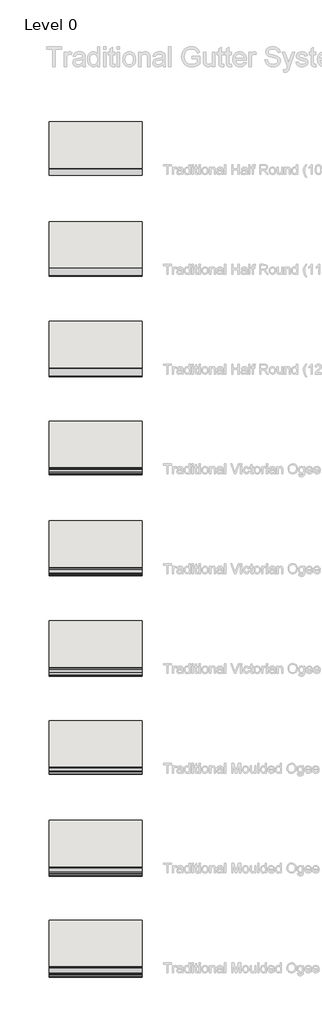
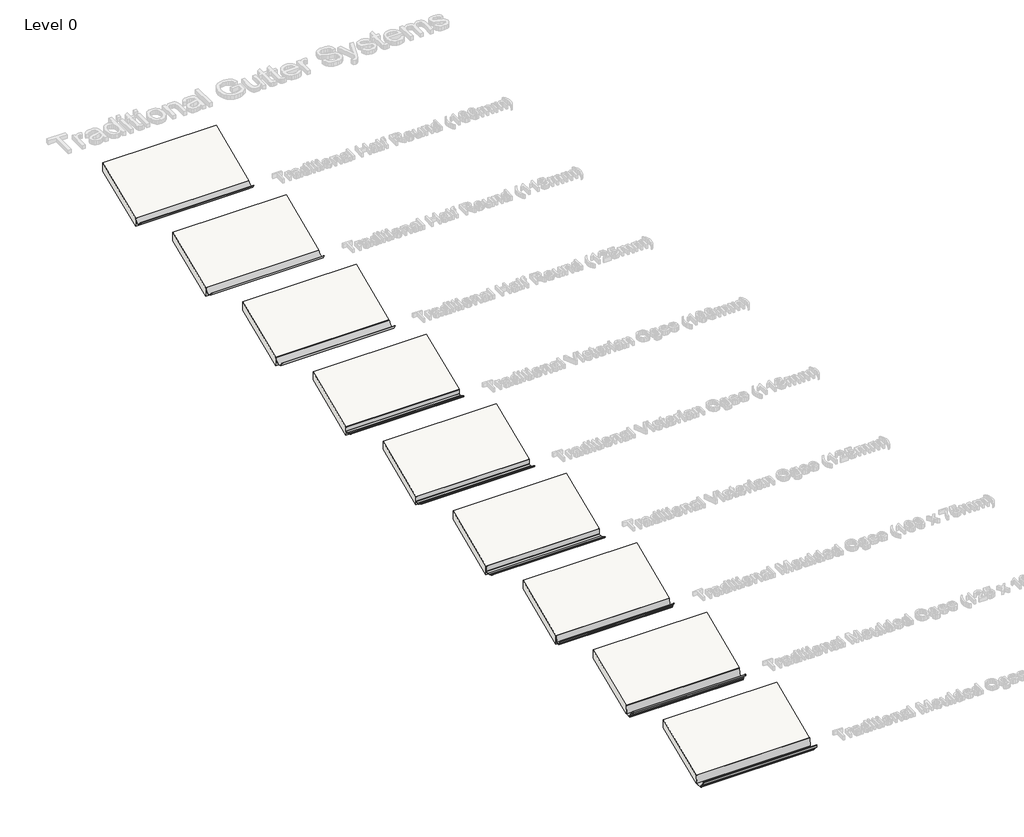
# One storey, part 1 of 10: 9 pipe segments, 9 roofs.
"""IFC4 building model written with IfcOpenShell, lengths in millimetres."""

from ifc_helpers import new_model, si_unit, point, frame, frame_2d, origin, place, context, project, spatial, polyline, circle_curve, trimmed, segment, composite_curve, outline, extrude, element, save

model = new_model("IFC4")

# Units and contexts
model_context = context("Model", 3, world=origin())
ifc_project = project(units=[si_unit("LENGTHUNIT", "METRE", prefix="MILLI")], contexts=[model_context])

# Site, building, storey
site = spatial("IfcSite", under=ifc_project)
building = spatial("IfcBuilding", under=site)
storey = spatial("IfcBuildingStorey", under=building, Name="Level 0", Elevation=0.0)

# Pipe segments
placement = place(None, origin())
element("IfcPipeSegment", 1, at=placement, inside=storey, context=model_context, shape_type="SweptSolid", body=[
    extrude(outline(composite_curve([segment(trimmed(circle_curve(frame_2d((7798.7541966, 115.7922465)), 53.0977513), [point((7851.2490497, 107.8134252))], [point((7746.2490497, 107.8814475))], False, "CARTESIAN"), True, "CONTINUOUS"), segment(polyline([(7746.2490497, 107.8814475), (7746.2490497, 108.7967587), (7749.1979093, 108.7967587)]), True, "CONTINUOUS"), segment(trimmed(circle_curve(frame_2d((7798.7541966, 115.7922465)), 50.047602), [point((7749.1979093, 108.7967587))], [point((7848.310484, 108.7967587))], True, "CARTESIAN"), True, "CONTINUOUS"), segment(polyline([(7848.310484, 108.7967587), (7851.2490497, 108.7967587), (7851.2490497, 107.8134252)]), True, "CONTINUOUS")], self_intersect=False)), frame((-3163.9352169, 0.0, 0.0), z_axis=(1.0, 0.0, 0.0), x_axis=(0.0, 1.0, 0.0)), (0.0, 0.0, 1.0), 1400.0),
])
element("IfcPipeSegment", 2, at=placement, inside=storey, context=model_context, shape_type="SweptSolid", body=[
    extrude(outline(composite_curve([segment(trimmed(circle_curve(frame_2d((6291.7541966, 116.8515545)), 60.1774487), [point((6351.2490497, 107.8134252))], [point((6232.2490497, 107.8814475))], False, "CARTESIAN"), True, "CONTINUOUS"), segment(polyline([(6232.2490497, 107.8814475), (6232.2490497, 108.7967587), (6235.1979093, 108.7967587)]), True, "CONTINUOUS"), segment(trimmed(circle_curve(frame_2d((6291.7541966, 116.8515545)), 57.1269934), [point((6235.1979093, 108.7967587))], [point((6348.310484, 108.7967587))], True, "CARTESIAN"), True, "CONTINUOUS"), segment(polyline([(6348.310484, 108.7967587), (6351.2490497, 108.7967587), (6351.2490497, 107.8134252)]), True, "CONTINUOUS")], self_intersect=False)), frame((-3163.9352169, 0.0, 0.0), z_axis=(1.0, 0.0, 0.0), x_axis=(0.0, 1.0, 0.0)), (0.0, 0.0, 1.0), 1400.0),
])
element("IfcPipeSegment", 3, at=placement, inside=storey, context=model_context, shape_type="SweptSolid", body=[
    extrude(outline(composite_curve([segment(trimmed(circle_curve(frame_2d((4786.2541966, 117.683868)), 65.7400682), [point((4851.2490497, 107.8134252))], [point((4721.2490497, 107.8814475))], False, "CARTESIAN"), True, "CONTINUOUS"), segment(polyline([(4721.2490497, 107.8814475), (4721.2490497, 108.7967587), (4724.1979093, 108.7967587)]), True, "CONTINUOUS"), segment(trimmed(circle_curve(frame_2d((4786.2541966, 117.683868)), 62.6894211), [point((4724.1979093, 108.7967587))], [point((4848.310484, 108.7967587))], True, "CARTESIAN"), True, "CONTINUOUS"), segment(polyline([(4848.310484, 108.7967587), (4851.2490497, 108.7967587), (4851.2490497, 107.8134252)]), True, "CONTINUOUS")], self_intersect=False)), frame((-3163.9352169, 0.0, 0.0), z_axis=(1.0, 0.0, 0.0), x_axis=(0.0, 1.0, 0.0)), (0.0, 0.0, 1.0), 1400.0),
])
element("IfcPipeSegment", 4, at=placement, inside=storey, context=model_context, shape_type="SweptSolid", body=[
    extrude(outline(composite_curve([segment(polyline([(3347.2490497, 58.6293872), (3347.2490497, 107.7967587)]), True, "CONTINUOUS"), segment(trimmed(circle_curve(frame_2d((3348.2490497, 107.7967587)), 1.0), [point((3347.2490497, 107.7967587))], [point((3348.2490497, 108.7967587))], False, "CARTESIAN"), True, "CONTINUOUS"), segment(polyline([(3348.2490497, 108.7967587), (3350.2490497, 108.7967587)]), True, "CONTINUOUS"), segment(trimmed(circle_curve(frame_2d((3350.2490497, 107.7967587)), 1.0), [point((3350.2490497, 108.7967587))], [point((3351.2490497, 107.7967587))], False, "CARTESIAN"), True, "CONTINUOUS"), segment(polyline([(3351.2490497, 107.7967587), (3351.2490497, 57.0098191)]), True, "CONTINUOUS"), segment(trimmed(circle_curve(frame_2d((3346.2490497, 57.0098191)), 5.0), [point((3351.2490497, 57.0098191))], [point((3347.2886082, 52.1190811))], False, "CARTESIAN"), True, "CONTINUOUS"), segment(polyline([(3347.2886082, 52.1190811), (3322.2490497, 46.7967587)]), True, "CONTINUOUS"), segment(trimmed(circle_curve(frame_2d((3322.2490497, 99.7967587)), 53.0), [point((3322.2490497, 46.7967587))], [point((3282.549212, 64.683757))], False, "CARTESIAN"), True, "CONTINUOUS"), segment(trimmed(circle_curve(frame_2d((3266.2490497, 46.7967587)), 24.2), [point((3282.549212, 64.683757))], [point((3261.7169544, 70.5685931))], True, "CARTESIAN"), True, "CONTINUOUS"), segment(trimmed(circle_curve(frame_2d((3260.2187411, 78.4270507)), 8.0), [point((3261.7169544, 70.5685931))], [point((3253.5864405, 73.9535075))], False, "CARTESIAN"), True, "CONTINUOUS"), segment(polyline([(3253.5864405, 73.9535075), (3245.3007386, 86.2375658)]), True, "CONTINUOUS"), segment(trimmed(circle_curve(frame_2d((3246.1297762, 86.7967587)), 1.0), [point((3245.3007386, 86.2375658))], [point((3246.1297762, 87.7967587))], False, "CARTESIAN"), True, "CONTINUOUS"), segment(polyline([(3246.1297762, 87.7967587), (3248.5422121, 87.7967587)]), True, "CONTINUOUS"), segment(trimmed(circle_curve(frame_2d((3248.5422121, 86.7967587)), 1.0), [point((3248.5422121, 87.7967587))], [point((3249.3712496, 87.3559516))], False, "CARTESIAN"), True, "CONTINUOUS"), segment(polyline([(3249.3712496, 87.3559516), (3256.5379314, 76.730909)]), True, "CONTINUOUS"), segment(trimmed(circle_curve(frame_2d((3260.6831192, 79.5268735)), 5.0), [point((3256.5379314, 76.730909))], [point((3261.5213618, 74.5976393))], True, "CARTESIAN"), True, "CONTINUOUS"), segment(trimmed(circle_curve(frame_2d((3266.2490497, 46.7967587)), 28.2), [point((3261.5213618, 74.5976393))], [point((3287.9610874, 64.7919642))], False, "CARTESIAN"), True, "CONTINUOUS"), segment(trimmed(circle_curve(frame_2d((3322.2490497, 99.7967587)), 49.0), [point((3287.9610874, 64.7919642))], [point((3321.8367919, 50.7984929))], True, "CARTESIAN"), True, "CONTINUOUS"), segment(polyline([(3321.8367919, 50.7984929), (3344.8727848, 55.6949444)]), True, "CONTINUOUS"), segment(trimmed(circle_curve(frame_2d((3344.2490497, 58.6293872)), 3.0), [point((3344.8727848, 55.6949444))], [point((3347.2490497, 58.6293872))], True, "CARTESIAN"), True, "CONTINUOUS")], self_intersect=False)), frame((-3163.9352169, 0.0, 0.0), z_axis=(1.0, 0.0, 0.0), x_axis=(0.0, 1.0, 0.0)), (0.0, 0.0, 1.0), 1400.0),
])
element("IfcPipeSegment", 5, at=placement, inside=storey, context=model_context, shape_type="SweptSolid", body=[
    extrude(outline(composite_curve([segment(trimmed(circle_curve(frame_2d((1816.995492, 100.7177181)), 56.1896966), [point((1776.4525261, 61.8133492))], [point((1816.995492, 44.5280215))], True, "CARTESIAN"), True, "CONTINUOUS"), segment(polyline([(1816.995492, 44.5280215), (1843.6671636, 47.5954474)]), True, "CONTINUOUS"), segment(trimmed(circle_curve(frame_2d((1843.2490497, 51.573535)), 4.0), [point((1843.6671636, 47.5954474))], [point((1847.2490497, 51.573535))], True, "CARTESIAN"), True, "CONTINUOUS"), segment(polyline([(1847.2490497, 51.573535), (1847.2490497, 107.7967587)]), True, "CONTINUOUS"), segment(trimmed(circle_curve(frame_2d((1848.2490497, 107.7967587)), 1.0), [point((1847.2490497, 107.7967587))], [point((1848.2490497, 108.7967587))], False, "CARTESIAN"), True, "CONTINUOUS"), segment(polyline([(1848.2490497, 108.7967587), (1850.2490497, 108.7967587)]), True, "CONTINUOUS"), segment(trimmed(circle_curve(frame_2d((1850.2490497, 107.7967587)), 1.0), [point((1850.2490497, 108.7967587))], [point((1851.2490497, 107.7967587))], False, "CARTESIAN"), True, "CONTINUOUS"), segment(polyline([(1851.2490497, 107.7967587), (1851.2490497, 51.573535)]), True, "CONTINUOUS"), segment(trimmed(circle_curve(frame_2d((1843.2490497, 51.573535)), 8.0), [point((1851.2490497, 51.573535))], [point((1844.0852774, 43.6173598))], False, "CARTESIAN"), True, "CONTINUOUS"), segment(polyline([(1844.0852774, 43.6173598), (1817.0775787, 40.4958619)]), True, "CONTINUOUS"), segment(trimmed(circle_curve(frame_2d((1817.0775787, 100.7099496)), 60.2140877), [point((1817.0775787, 40.4958619))], [point((1773.5997622, 59.0516271))], False, "CARTESIAN"), True, "CONTINUOUS"), segment(trimmed(circle_curve(frame_2d((1749.9337452, 40.6147175)), 30.0), [point((1773.5997622, 59.0516271))], [point((1749.9695931, 70.6146961))], True, "CARTESIAN"), True, "CONTINUOUS"), segment(trimmed(circle_curve(frame_2d((1749.9863222, 84.6146861)), 14.0), [point((1749.9695931, 70.6146961))], [point((1737.8619665, 77.6146861))], False, "CARTESIAN"), True, "CONTINUOUS"), segment(polyline([(1737.8619665, 77.6146861), (1731.3338251, 88.9217587)]), True, "CONTINUOUS"), segment(trimmed(circle_curve(frame_2d((1732.1998505, 89.4217587)), 1.0), [point((1731.3338251, 88.9217587))], [point((1732.1998505, 90.4217587))], False, "CARTESIAN"), True, "CONTINUOUS"), segment(polyline([(1732.1998505, 90.4217587), (1734.5092516, 90.4217587)]), True, "CONTINUOUS"), segment(trimmed(circle_curve(frame_2d((1734.5092516, 89.4217587)), 1.0), [point((1734.5092516, 90.4217587))], [point((1735.3759701, 89.9205562))], False, "CARTESIAN"), True, "CONTINUOUS"), segment(polyline([(1735.3759701, 89.9205562), (1741.3084425, 79.6121971)]), True, "CONTINUOUS"), segment(trimmed(circle_curve(frame_2d((1749.9814476, 84.6035215)), 10.0067146), [point((1741.3084425, 79.6121971))], [point((1749.9618107, 74.5968262))], True, "CARTESIAN"), True, "CONTINUOUS"), segment(trimmed(circle_curve(frame_2d((1749.8951334, 40.6190613)), 33.9778303), [point((1749.9618107, 74.5968262))], [point((1776.4525261, 61.8133492))], False, "CARTESIAN"), True, "CONTINUOUS")], self_intersect=False)), frame((-3163.9352169, 0.0, 0.0), z_axis=(1.0, 0.0, 0.0), x_axis=(0.0, 1.0, 0.0)), (0.0, 0.0, 1.0), 1400.0),
])
element("IfcPipeSegment", 6, at=placement, inside=storey, context=model_context, shape_type="SweptSolid", body=[
    extrude(outline(composite_curve([segment(polyline([(-1148.7509503, 108.7967587), (-1159.4320537, 32.7967587), (-1211.5916224, 32.7967587), (-1213.7266838, 47.9885102)]), True, "CONTINUOUS"), segment(trimmed(circle_curve(frame_2d((-1212.4487831, 61.4980601)), 13.5698551), [point((-1213.7266838, 47.9885102))], [point((-1225.7569848, 58.8461297))], False, "CARTESIAN"), True, "CONTINUOUS"), segment(polyline([(-1225.7569848, 58.8461297), (-1230.025021, 75.9642878)]), True, "CONTINUOUS"), segment(trimmed(circle_curve(frame_2d((-1249.8777363, 71.5019458)), 20.3480417), [point((-1230.025021, 75.9642878))], [point((-1249.9404814, 91.8498908))], True, "CARTESIAN"), True, "CONTINUOUS"), segment(polyline([(-1249.9404814, 91.8498908), (-1254.7999176, 108.7967587), (-1252.4060248, 108.7967587), (-1248.1883715, 94.0880537)]), True, "CONTINUOUS"), segment(trimmed(circle_curve(frame_2d((-1249.8777363, 71.5019458)), 22.6491991), [point((-1248.1883715, 94.0880537))], [point((-1227.7859196, 76.4957277))], False, "CARTESIAN"), True, "CONTINUOUS"), segment(polyline([(-1227.7859196, 76.4957277), (-1223.5102989, 59.3471494)]), True, "CONTINUOUS"), segment(trimmed(circle_curve(frame_2d((-1212.4487831, 61.4980601)), 11.2686977), [point((-1223.5102989, 59.3471494))], [point((-1211.7211479, 50.2528792))], True, "CARTESIAN"), True, "CONTINUOUS"), segment(polyline([(-1211.7211479, 50.2528792), (-1209.5912567, 35.0979161), (-1161.4324194, 35.0979161), (-1151.0747225, 108.7967587), (-1148.7509503, 108.7967587)]), True, "CONTINUOUS")], self_intersect=False)), frame((-3163.9352169, 0.0, 0.0), z_axis=(1.0, 0.0, 0.0), x_axis=(0.0, 1.0, 0.0)), (0.0, 0.0, 1.0), 1400.0),
])
element("IfcPipeSegment", 7, at=placement, inside=storey, context=model_context, shape_type="SweptSolid", body=[
    extrude(outline(composite_curve([segment(trimmed(circle_curve(frame_2d((240.2490497, 15.7967587)), 44.0), [point((271.1140197, 47.1552284))], [point((235.3302604, 59.5209569))], True, "CARTESIAN"), True, "CONTINUOUS"), segment(trimmed(circle_curve(frame_2d((234.771307, 64.4896158)), 5.0), [point((235.3302604, 59.5209569))], [point((230.6755468, 61.6217336))], False, "CARTESIAN"), True, "CONTINUOUS"), segment(polyline([(230.6755468, 61.6217336), (218.3508798, 79.2231822)]), True, "CONTINUOUS"), segment(trimmed(circle_curve(frame_2d((219.1700318, 79.7967587)), 1.0), [point((218.3508798, 79.2231822))], [point((219.1700318, 80.7967587))], False, "CARTESIAN"), True, "CONTINUOUS"), segment(polyline([(219.1700318, 80.7967587), (221.611581, 80.7967587)]), True, "CONTINUOUS"), segment(trimmed(circle_curve(frame_2d((221.611581, 79.7967587)), 1.0), [point((221.611581, 80.7967587))], [point((222.4307331, 80.3703351))], False, "CARTESIAN"), True, "CONTINUOUS"), segment(polyline([(222.4307331, 80.3703351), (233.952155, 63.9160393)]), True, "CONTINUOUS"), segment(trimmed(circle_curve(frame_2d((234.771307, 64.4896158)), 1.0), [point((233.952155, 63.9160393))], [point((234.8830977, 63.495884))], True, "CARTESIAN"), True, "CONTINUOUS"), segment(trimmed(circle_curve(frame_2d((240.2490497, 15.7967587)), 48.0), [point((234.8830977, 63.495884))], [point((273.7399054, 50.1822583))], False, "CARTESIAN"), True, "CONTINUOUS"), segment(trimmed(circle_curve(frame_2d((316.2490497, 105.7967587)), 70.0), [point((273.7399054, 50.1822583))], [point((315.9039203, 35.7976095))], True, "CARTESIAN"), True, "CONTINUOUS"), segment(polyline([(315.9039203, 35.7976095), (343.9436424, 40.741769)]), True, "CONTINUOUS"), segment(trimmed(circle_curve(frame_2d((343.2490497, 44.681)), 4.0), [point((343.9436424, 40.741769))], [point((347.2490497, 44.681))], True, "CARTESIAN"), True, "CONTINUOUS"), segment(polyline([(347.2490497, 44.681), (347.2490497, 107.7967587)]), True, "CONTINUOUS"), segment(trimmed(circle_curve(frame_2d((348.2490497, 107.7967587)), 1.0), [point((347.2490497, 107.7967587))], [point((348.2490497, 108.7967587))], False, "CARTESIAN"), True, "CONTINUOUS"), segment(polyline([(348.2490497, 108.7967587), (350.2490497, 108.7967587)]), True, "CONTINUOUS"), segment(trimmed(circle_curve(frame_2d((350.2490497, 107.7967587)), 1.0), [point((350.2490497, 108.7967587))], [point((351.2490497, 107.7967587))], False, "CARTESIAN"), True, "CONTINUOUS"), segment(polyline([(351.2490497, 107.7967587), (351.2490497, 44.681)]), True, "CONTINUOUS"), segment(trimmed(circle_curve(frame_2d((343.2490497, 44.681)), 8.0), [point((351.2490497, 44.681))], [point((344.6382351, 36.802538))], False, "CARTESIAN"), True, "CONTINUOUS"), segment(polyline([(344.6382351, 36.802538), (316.2490497, 31.7967587)]), True, "CONTINUOUS"), segment(trimmed(circle_curve(frame_2d((316.2490497, 105.7967587)), 74.0), [point((316.2490497, 31.7967587))], [point((271.1140197, 47.1552284))], False, "CARTESIAN"), True, "CONTINUOUS")], self_intersect=False)), frame((-3163.9352169, 0.0, 0.0), z_axis=(1.0, 0.0, 0.0), x_axis=(0.0, 1.0, 0.0)), (0.0, 0.0, 1.0), 1400.0),
])
element("IfcPipeSegment", 8, at=placement, inside=storey, context=model_context, shape_type="SweptSolid", body=[
    extrude(outline(composite_curve([segment(trimmed(circle_curve(frame_2d((-2727.4801593, 47.3378643)), 22.2976452), [point((-2734.3264671, 26.1172834))], [point((-2748.8833565, 41.085814))], False, "CARTESIAN"), True, "CONTINUOUS"), segment(polyline([(-2748.8833565, 41.085814), (-2755.702289, 68.4350583)]), True, "CONTINUOUS"), segment(trimmed(circle_curve(frame_2d((-2780.0477628, 59.4830346)), 25.9391755), [point((-2755.702289, 68.4350583))], [point((-2781.3919967, 85.3873558))], True, "CARTESIAN"), True, "CONTINUOUS"), segment(trimmed(circle_curve(frame_2d((-2781.4445203, 86.3995233)), 1.0135293), [point((-2781.3919967, 85.3873558))], [point((-2782.432073, 86.1715288))], False, "CARTESIAN"), True, "CONTINUOUS"), segment(polyline([(-2782.432073, 86.1715288), (-2787.6555189, 108.7967587), (-2783.4947616, 108.7967587), (-2779.2878988, 90.5748337)]), True, "CONTINUOUS"), segment(trimmed(circle_curve(frame_2d((-2777.8065698, 90.9168254)), 1.520294), [point((-2779.2878988, 90.5748337))], [point((-2777.9146905, 89.400381))], True, "CARTESIAN"), True, "CONTINUOUS"), segment(trimmed(circle_curve(frame_2d((-2780.0477628, 59.4830346)), 29.9932928), [point((-2777.9146905, 89.400381))], [point((-2750.3644797, 63.784234))], False, "CARTESIAN"), True, "CONTINUOUS"), segment(polyline([(-2750.3644797, 63.784234), (-2744.9701911, 42.1489242)]), True, "CONTINUOUS"), segment(trimmed(circle_curve(frame_2d((-2727.4801593, 47.3378643)), 18.2435279), [point((-2744.9701911, 42.1489242))], [point((-2730.8274711, 29.4040467))], True, "CARTESIAN"), True, "CONTINUOUS"), segment(trimmed(circle_curve(frame_2d((-2731.1064137, 27.9095619)), 1.520294), [point((-2730.8274711, 29.4040467))], [point((-2729.5974518, 28.0948391))], False, "CARTESIAN"), True, "CONTINUOUS"), segment(polyline([(-2729.5974518, 28.0948391), (-2727.4801593, 10.850876), (-2666.6683996, 10.850876), (-2652.9030035, 108.7967587), (-2648.8090441, 108.7967587), (-2662.960282, 8.1054686)]), True, "CONTINUOUS"), segment(trimmed(circle_curve(frame_2d((-2664.4657806, 8.3170526)), 1.520294), [point((-2662.960282, 8.1054686))], [point((-2664.4657806, 6.7967587))], False, "CARTESIAN"), True, "CONTINUOUS"), segment(polyline([(-2664.4657806, 6.7967587), (-2729.7218968, 6.7967587)]), True, "CONTINUOUS"), segment(trimmed(circle_curve(frame_2d((-2729.7218968, 8.3170526)), 1.520294), [point((-2729.7218968, 6.7967587))], [point((-2731.2308588, 8.1317754))], False, "CARTESIAN"), True, "CONTINUOUS"), segment(polyline([(-2731.2308588, 8.1317754), (-2733.2842989, 24.8557029)]), True, "CONTINUOUS"), segment(trimmed(circle_curve(frame_2d((-2734.7932608, 24.6704256)), 1.520294), [point((-2733.2842989, 24.8557029))], [point((-2734.3264671, 26.1172834))], True, "CARTESIAN"), True, "CONTINUOUS")], self_intersect=False)), frame((-3163.9352169, 0.0, 0.0), z_axis=(1.0, 0.0, 0.0), x_axis=(0.0, 1.0, 0.0)), (0.0, 0.0, 1.0), 1400.0),
])
element("IfcPipeSegment", 9, at=placement, inside=storey, context=model_context, shape_type="SweptSolid", body=[
    extrude(outline(composite_curve([segment(polyline([(-4148.7509503, 108.7967587), (-4163.0239865, 9.3872809)]), True, "CONTINUOUS"), segment(trimmed(circle_curve(frame_2d((-4166.0130165, 9.8164405)), 3.0196818), [point((-4163.0239865, 9.3872809))], [point((-4166.0130165, 6.7967587))], False, "CARTESIAN"), True, "CONTINUOUS"), segment(polyline([(-4166.0130165, 6.7967587), (-4245.6167451, 6.7967587)]), True, "CONTINUOUS"), segment(trimmed(circle_curve(frame_2d((-4245.6167451, 7.8624448)), 1.0656862), [point((-4245.6167451, 6.7967587))], [point((-4246.6744878, 7.7325704))], False, "CARTESIAN"), True, "CONTINUOUS"), segment(polyline([(-4246.6744878, 7.7325704), (-4249.1199963, 27.6496391)]), True, "CONTINUOUS"), segment(trimmed(circle_curve(frame_2d((-4250.5696819, 27.4716401)), 1.4605724), [point((-4249.1199963, 27.6496391))], [point((-4250.5312988, 28.9317081))], True, "CARTESIAN"), True, "CONTINUOUS"), segment(trimmed(circle_curve(frame_2d((-4249.9495363, 51.0615626)), 22.1375), [point((-4250.5312988, 28.9317081))], [point((-4269.7686189, 41.1988617))], False, "CARTESIAN"), True, "CONTINUOUS"), segment(polyline([(-4269.7686189, 41.1988617), (-4281.6662542, 65.1071421)]), True, "CONTINUOUS"), segment(trimmed(circle_curve(frame_2d((-4297.6636425, 56.6132486)), 18.1125), [point((-4281.6662542, 65.1071421))], [point((-4298.9352611, 74.6810554))], True, "CARTESIAN"), True, "CONTINUOUS"), segment(trimmed(circle_curve(frame_2d((-4299.1795337, 78.1518041)), 3.4793341), [point((-4298.9352611, 74.6810554))], [point((-4302.5696926, 77.3691242))], False, "CARTESIAN"), True, "CONTINUOUS"), segment(polyline([(-4302.5696926, 77.3691242), (-4309.8253337, 108.7967587), (-4305.7201173, 108.7967587), (-4298.7712691, 78.6979904)]), True, "CONTINUOUS"), segment(trimmed(circle_curve(frame_2d((-4297.6636425, 56.6132486)), 22.1125), [point((-4298.7712691, 78.6979904))], [point((-4278.1074751, 66.9340517))], False, "CARTESIAN"), True, "CONTINUOUS"), segment(polyline([(-4278.1074751, 66.9340517), (-4266.1875312, 42.9809421)]), True, "CONTINUOUS"), segment(trimmed(circle_curve(frame_2d((-4249.9495363, 51.0615626)), 18.1375), [point((-4266.1875312, 42.9809421))], [point((-4250.4261808, 32.9303267))], True, "CARTESIAN"), True, "CONTINUOUS"), segment(trimmed(circle_curve(frame_2d((-4250.5696819, 27.4716401)), 5.4605724), [point((-4250.4261808, 32.9303267))], [point((-4245.1498117, 28.1371165))], False, "CARTESIAN"), True, "CONTINUOUS"), segment(polyline([(-4245.1498117, 28.1371165), (-4243.0206835, 10.7967587), (-4166.8626353, 10.7967587), (-4152.7919694, 108.7967587), (-4148.7509503, 108.7967587)]), True, "CONTINUOUS")], self_intersect=False)), frame((-3163.9352169, 0.0, 0.0), z_axis=(1.0, 0.0, 0.0), x_axis=(0.0, 1.0, 0.0)), (0.0, 0.0, 1.0), 1400.0),
])

# Roofs
element("IfcRoof", 10, ObjectType="Pitched - Warm - Industrial", at=placement, inside=storey, context=model_context, shape_type="SweptSolid", body=[
    extrude(outline(polyline([(4851.2490497, 108.7967587), (5551.2490497, 408.7967587), (5551.2490497, 300.0), (4851.2490497, 0.0), (4851.2490497, 108.7967587)])), frame((-3163.9352169, 0.0, 0.0), z_axis=(1.0, 0.0, 0.0), x_axis=(0.0, 1.0, 0.0)), (0.0, 0.0, 1.0), 1400.0),
])
element("IfcRoof", 11, ObjectType="Pitched - Warm - Industrial", at=placement, inside=storey, context=model_context, shape_type="SweptSolid", body=[
    extrude(outline(polyline([(6351.2490497, 108.7967587), (7051.2490497, 408.7967587), (7051.2490497, 300.0), (6351.2490497, 0.0), (6351.2490497, 108.7967587)])), frame((-3163.9352169, 0.0, 0.0), z_axis=(1.0, 0.0, 0.0), x_axis=(0.0, 1.0, 0.0)), (0.0, 0.0, 1.0), 1400.0),
])
element("IfcRoof", 12, ObjectType="Pitched - Warm - Industrial", at=placement, inside=storey, context=model_context, shape_type="SweptSolid", body=[
    extrude(outline(polyline([(7851.2490497, 108.7967587), (8551.2490497, 408.7967587), (8551.2490497, 300.0), (7851.2490497, 0.0), (7851.2490497, 108.7967587)])), frame((-3163.9352169, 0.0, 0.0), z_axis=(1.0, 0.0, 0.0), x_axis=(0.0, 1.0, 0.0)), (0.0, 0.0, 1.0), 1400.0),
])
element("IfcRoof", 13, ObjectType="Pitched - Warm - Industrial", at=placement, inside=storey, context=model_context, shape_type="SweptSolid", body=[
    extrude(outline(polyline([(1851.2490497, 108.7967587), (2551.2490497, 408.7967587), (2551.2490497, 300.0), (1851.2490497, 0.0), (1851.2490497, 108.7967587)])), frame((-3163.9352169, 0.0, 0.0), z_axis=(1.0, 0.0, 0.0), x_axis=(0.0, 1.0, 0.0)), (0.0, 0.0, 1.0), 1400.0),
])
element("IfcRoof", 14, ObjectType="Pitched - Warm - Industrial", at=placement, inside=storey, context=model_context, shape_type="SweptSolid", body=[
    extrude(outline(polyline([(3351.2490497, 108.7967587), (4051.2490497, 408.7967587), (4051.2490497, 300.0), (3351.2490497, 0.0), (3351.2490497, 108.7967587)])), frame((-3163.9352169, 0.0, 0.0), z_axis=(1.0, 0.0, 0.0), x_axis=(0.0, 1.0, 0.0)), (0.0, 0.0, 1.0), 1400.0),
])
element("IfcRoof", 15, ObjectType="Pitched - Warm - Industrial", at=placement, inside=storey, context=model_context, shape_type="SweptSolid", body=[
    extrude(outline(polyline([(-1148.7509503, 108.7967587), (-448.7509503, 408.7967587), (-448.7509503, 300.0), (-1148.7509503, 0.0), (-1148.7509503, 108.7967587)])), frame((-3163.9352169, 0.0, 0.0), z_axis=(1.0, 0.0, 0.0), x_axis=(0.0, 1.0, 0.0)), (0.0, 0.0, 1.0), 1400.0),
])
element("IfcRoof", 16, ObjectType="Pitched - Warm - Industrial", at=placement, inside=storey, context=model_context, shape_type="SweptSolid", body=[
    extrude(outline(polyline([(351.2490497, 108.7967587), (1051.2490497, 408.7967587), (1051.2490497, 300.0), (351.2490497, 0.0), (351.2490497, 108.7967587)])), frame((-3163.9352169, 0.0, 0.0), z_axis=(1.0, 0.0, 0.0), x_axis=(0.0, 1.0, 0.0)), (0.0, 0.0, 1.0), 1400.0),
])
element("IfcRoof", 17, ObjectType="Pitched - Warm - Industrial", at=placement, inside=storey, context=model_context, shape_type="SweptSolid", body=[
    extrude(outline(polyline([(-4148.7509503, 108.7967587), (-3448.7509503, 408.7967587), (-3448.7509503, 300.0), (-4148.7509503, 0.0), (-4148.7509503, 108.7967587)])), frame((-3163.9352169, 0.0, 0.0), z_axis=(1.0, 0.0, 0.0), x_axis=(0.0, 1.0, 0.0)), (0.0, 0.0, 1.0), 1400.0),
])
element("IfcRoof", 18, ObjectType="Pitched - Warm - Industrial", at=placement, inside=storey, context=model_context, shape_type="SweptSolid", body=[
    extrude(outline(polyline([(-2648.7509503, 108.7967587), (-1948.7509503, 408.7967587), (-1948.7509503, 300.0), (-2648.7509503, 0.0), (-2648.7509503, 108.7967587)])), frame((-3163.9352169, 0.0, 0.0), z_axis=(1.0, 0.0, 0.0), x_axis=(0.0, 1.0, 0.0)), (0.0, 0.0, 1.0), 1400.0),
])

save(model, "model.ifc")
